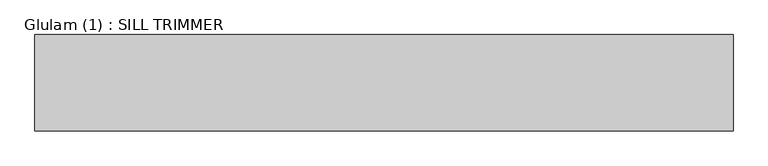
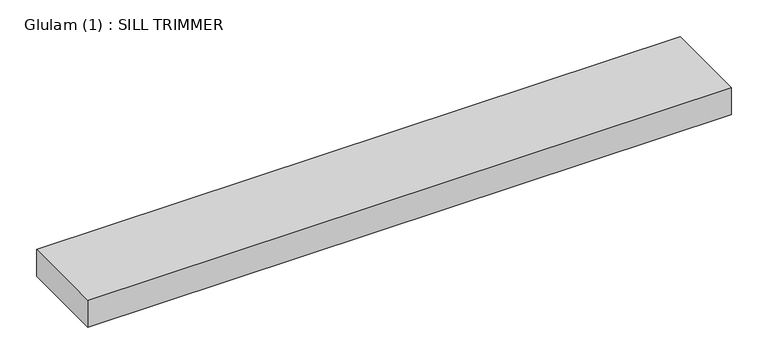
"""IFC4 building model written with IfcOpenShell, lengths in millimetres: beam geometry, Glulam (1) : SILL TRIMMER."""

from ifc_helpers import new_model, si_unit, frame, origin, place, context, project, spatial, polyline, outline, extrude, source, transform, mapped, element, save


def glulam_1_sill_trimmer_06fb14d0(model_context):
    return source(origin(), model_context, "Body", "SweptSolid", [
        extrude(outline(polyline([(526.0, 70.0), (526.0, -70.0), (-489.0, -70.0), (-489.0, 70.0), (526.0, 70.0)])), frame((0.0, 0.0, -22.5), z_axis=(0.0, 0.0, 1.0), x_axis=(1.0, 0.0, 0.0)), (0.0, 0.0, 1.0), 45.0),
    ])


if __name__ == "__main__":
    model = new_model("IFC4")
    model_context = context("Model", 3, world=origin())
    ifc_project = project(units=[si_unit("LENGTHUNIT", "METRE", prefix="MILLI")], contexts=[model_context])
    site = spatial("IfcSite", under=ifc_project)
    building = spatial("IfcBuilding", under=site)
    placement = place(None, origin())
    glulam_1_sill_trimmer_shape = glulam_1_sill_trimmer_06fb14d0(model_context)
    element("IfcBeam", 1, ObjectType="Glulam (1) : SILL TRIMMER", at=placement, inside=building, context=model_context, shape_type="MappedRepresentation", body=[
        mapped(glulam_1_sill_trimmer_shape, transform((0.0, 0.0, 0.0), x_axis=(1.0, 0.0, 0.0), y_axis=(0.0, 1.0, 0.0), z_axis=(0.0, 0.0, 1.0))),
    ])
    save(model, "model.ifc")
